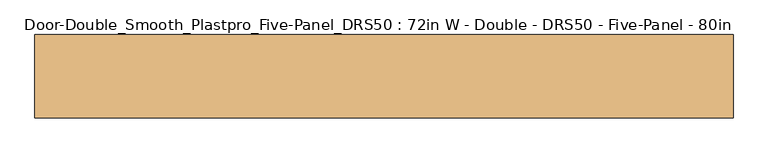
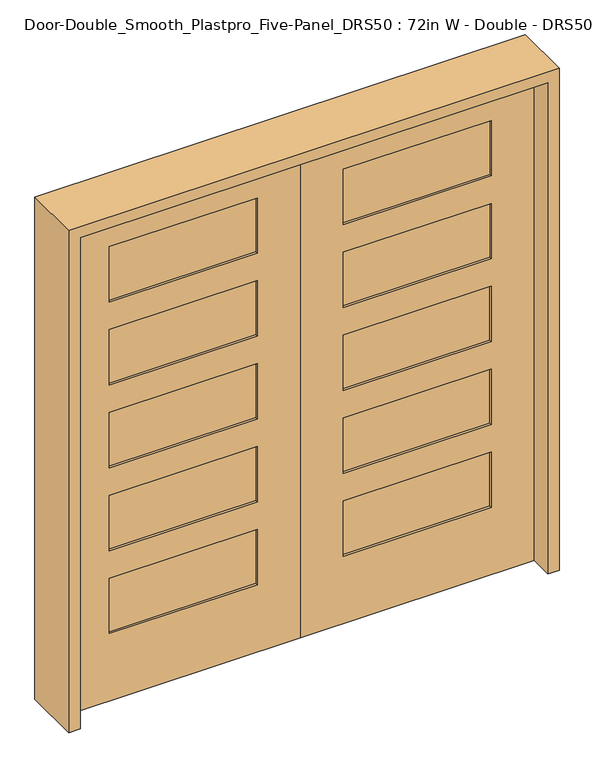
"""IFC4 building model written with IfcOpenShell, lengths in millimetres: door geometry, Door-Double_Smooth_Plastpro_Five-Panel_DRS50 : 72in W - Double - DRS50 - Five-Panel - 80in."""

from ifc_helpers import new_model, si_unit, frame, origin, place, context, project, spatial, polyline, outline, extrude, faceted_brep, source, transform, mapped, element, save


def door_double_smooth_plastpro_five_panel_drs50_72in_w_double_ac335164(model_context):
    return source(origin(), model_context, "Body", "SolidModel", [
        faceted_brep([(-914.4, 22.1615, 0.0), (0.0, 22.1615, 0.0), (0.0, -22.2885, 0.0), (-914.4, -22.2885, 0.0), (-914.4, 22.1615, 2032.0), (-914.4, -22.2885, 2032.0), (0.0, -22.2885, 2032.0), (-168.275, -22.2885, 965.2), (-746.125, -22.2885, 965.2), (-746.125, -22.2885, 1193.8), (-168.275, -22.2885, 1193.8), (-168.275, -22.2885, 622.3), (-746.125, -22.2885, 622.3), (-746.125, -22.2885, 850.9), (-168.275, -22.2885, 850.9), (-168.275, -22.2885, 279.4), (-746.125, -22.2885, 279.4), (-746.125, -22.2885, 508.0), (-168.275, -22.2885, 508.0), (-168.275, -22.2885, 1651.0), (-746.125, -22.2885, 1651.0), (-746.125, -22.2885, 1879.6), (-168.275, -22.2885, 1879.6), (-168.275, -22.2885, 1308.1), (-746.125, -22.2885, 1308.1), (-746.125, -22.2885, 1536.7), (-168.275, -22.2885, 1536.7), (0.0, 22.1615, 2032.0), (-168.275, 22.1615, 1193.8), (-746.125, 22.1615, 1193.8), (-746.125, 22.1615, 965.2), (-168.275, 22.1615, 965.2), (-168.275, 22.1615, 850.9), (-746.125, 22.1615, 850.9), (-746.125, 22.1615, 622.3), (-168.275, 22.1615, 622.3), (-168.275, 22.1615, 508.0), (-746.125, 22.1615, 508.0), (-746.125, 22.1615, 279.4), (-168.275, 22.1615, 279.4), (-168.275, 22.1615, 1879.6), (-746.125, 22.1615, 1879.6), (-746.125, 22.1615, 1651.0), (-168.275, 22.1615, 1651.0), (-168.275, 22.1615, 1536.7), (-746.125, 22.1615, 1536.7), (-746.125, 22.1615, 1308.1), (-168.275, 22.1615, 1308.1), (-168.275, 13.1812439, 1193.8), (-168.275, 13.1812439, 965.2), (-746.125, 13.1812439, 965.2), (-746.125, 13.1812439, 1193.8), (-168.275, 13.1812439, 850.9), (-168.275, 13.1812439, 622.3), (-746.125, 13.1812439, 622.3), (-746.125, 13.1812439, 850.9), (-168.275, 13.1812439, 508.0), (-168.275, 13.1812439, 279.4), (-746.125, 13.1812439, 279.4), (-746.125, 13.1812439, 508.0), (-168.275, -13.3082439, 965.2), (-168.275, -13.3082439, 1193.8), (-746.125, -13.3082439, 1193.8), (-746.125, -13.3082439, 965.2), (-168.275, -13.3082439, 622.3), (-168.275, -13.3082439, 850.9), (-746.125, -13.3082439, 850.9), (-746.125, -13.3082439, 622.3), (-168.275, -13.3082439, 279.4), (-168.275, -13.3082439, 508.0), (-746.125, -13.3082439, 508.0), (-746.125, -13.3082439, 279.4), (-168.275, -13.3082439, 1651.0), (-168.275, -13.3082439, 1879.6), (-746.125, -13.3082439, 1879.6), (-746.125, -13.3082439, 1651.0), (-168.275, -13.3082439, 1308.1), (-168.275, -13.3082439, 1536.7), (-746.125, -13.3082439, 1536.7), (-746.125, -13.3082439, 1308.1), (-168.275, 13.1812439, 1651.0), (-746.125, 13.1812439, 1651.0), (-746.125, 13.1812439, 1879.6), (-168.275, 13.1812439, 1879.6), (-168.275, 13.1812439, 1308.1), (-746.125, 13.1812439, 1308.1), (-746.125, 13.1812439, 1536.7), (-168.275, 13.1812439, 1536.7)], [[[0, 1, 2, 3]], [[4, 0, 3, 5]], [[5, 3, 2, 6], [7, 8, 9, 10], [11, 12, 13, 14], [15, 16, 17, 18], [19, 20, 21, 22], [23, 24, 25, 26]], [[6, 2, 1, 27]], [[27, 1, 0, 4], [28, 29, 30, 31], [32, 33, 34, 35], [36, 37, 38, 39], [40, 41, 42, 43], [44, 45, 46, 47]], [[48, 28, 31, 49]], [[49, 31, 30, 50]], [[50, 30, 29, 51]], [[51, 29, 28, 48]], [[52, 32, 35, 53]], [[53, 35, 34, 54]], [[54, 34, 33, 55]], [[55, 33, 32, 52]], [[56, 36, 39, 57]], [[57, 39, 38, 58]], [[58, 38, 37, 59]], [[59, 37, 36, 56]], [[60, 7, 10, 61]], [[61, 10, 9, 62]], [[62, 9, 8, 63]], [[63, 8, 7, 60]], [[64, 11, 14, 65]], [[65, 14, 13, 66]], [[66, 13, 12, 67]], [[67, 12, 11, 64]], [[68, 15, 18, 69]], [[69, 18, 17, 70]], [[70, 17, 16, 71]], [[71, 16, 15, 68]], [[60, 61, 62, 63]], [[64, 65, 66, 67]], [[68, 69, 70, 71]], [[72, 73, 74, 75]], [[76, 77, 78, 79]], [[49, 50, 51, 48]], [[53, 54, 55, 52]], [[57, 58, 59, 56]], [[80, 81, 82, 83]], [[84, 85, 86, 87]], [[4, 5, 6, 27]], [[72, 19, 22, 73]], [[73, 22, 21, 74]], [[74, 21, 20, 75]], [[75, 20, 19, 72]], [[76, 23, 26, 77]], [[77, 26, 25, 78]], [[78, 25, 24, 79]], [[79, 24, 23, 76]], [[83, 40, 43, 80]], [[82, 41, 40, 83]], [[81, 42, 41, 82]], [[80, 43, 42, 81]], [[87, 44, 47, 84]], [[86, 45, 44, 87]], [[85, 46, 45, 86]], [[84, 47, 46, 85]]]),
        faceted_brep([(914.4, 22.225, 0.0), (914.4, -22.225, 0.0), (0.0, -22.225, 0.0), (0.0, 22.225, 0.0), (914.4, 22.225, 2032.0), (914.4, -22.225, 2032.0), (0.0, -22.225, 2032.0), (168.275, -22.225, 965.2), (168.275, -22.225, 1193.8), (746.125, -22.225, 1193.8), (746.125, -22.225, 965.2), (168.275, -22.225, 622.3), (168.275, -22.225, 850.9), (746.125, -22.225, 850.9), (746.125, -22.225, 622.3), (168.275, -22.225, 279.4), (168.275, -22.225, 508.0), (746.125, -22.225, 508.0), (746.125, -22.225, 279.4), (168.275, -22.225, 1651.0), (168.275, -22.225, 1879.6), (746.125, -22.225, 1879.6), (746.125, -22.225, 1651.0), (168.275, -22.225, 1308.1), (168.275, -22.225, 1536.7), (746.125, -22.225, 1536.7), (746.125, -22.225, 1308.1), (0.0, 22.225, 2032.0), (168.275, 22.225, 1193.8), (168.275, 22.225, 965.2), (746.125, 22.225, 965.2), (746.125, 22.225, 1193.8), (168.275, 22.225, 850.9), (168.275, 22.225, 622.3), (746.125, 22.225, 622.3), (746.125, 22.225, 850.9), (168.275, 22.225, 508.0), (168.275, 22.225, 279.4), (746.125, 22.225, 279.4), (746.125, 22.225, 508.0), (168.275, 22.225, 1879.6), (168.275, 22.225, 1651.0), (746.125, 22.225, 1651.0), (746.125, 22.225, 1879.6), (168.275, 22.225, 1536.7), (168.275, 22.225, 1308.1), (746.125, 22.225, 1308.1), (746.125, 22.225, 1536.7), (168.275, 13.2447439, 1193.8), (168.275, 13.2447439, 965.2), (746.125, 13.2447439, 965.2), (746.125, 13.2447439, 1193.8), (168.275, 13.2447439, 850.9), (168.275, 13.2447439, 622.3), (746.125, 13.2447439, 622.3), (746.125, 13.2447439, 850.9), (168.275, 13.2447439, 508.0), (168.275, 13.2447439, 279.4), (746.125, 13.2447439, 279.4), (746.125, 13.2447439, 508.0), (168.275, -13.2447439, 965.2), (168.275, -13.2447439, 1193.8), (746.125, -13.2447439, 1193.8), (746.125, -13.2447439, 965.2), (168.275, -13.2447439, 622.3), (168.275, -13.2447439, 850.9), (746.125, -13.2447439, 850.9), (746.125, -13.2447439, 622.3), (168.275, -13.2447439, 279.4), (168.275, -13.2447439, 508.0), (746.125, -13.2447439, 508.0), (746.125, -13.2447439, 279.4), (168.275, -13.2447439, 1651.0), (746.125, -13.2447439, 1651.0), (746.125, -13.2447439, 1879.6), (168.275, -13.2447439, 1879.6), (168.275, -13.2447439, 1308.1), (746.125, -13.2447439, 1308.1), (746.125, -13.2447439, 1536.7), (168.275, -13.2447439, 1536.7), (168.275, 13.2447439, 1651.0), (168.275, 13.2447439, 1879.6), (746.125, 13.2447439, 1879.6), (746.125, 13.2447439, 1651.0), (168.275, 13.2447439, 1308.1), (168.275, 13.2447439, 1536.7), (746.125, 13.2447439, 1536.7), (746.125, 13.2447439, 1308.1)], [[[0, 1, 2, 3]], [[4, 5, 1, 0]], [[5, 6, 2, 1], [7, 8, 9, 10], [11, 12, 13, 14], [15, 16, 17, 18], [19, 20, 21, 22], [23, 24, 25, 26]], [[6, 27, 3, 2]], [[27, 4, 0, 3], [28, 29, 30, 31], [32, 33, 34, 35], [36, 37, 38, 39], [40, 41, 42, 43], [44, 45, 46, 47]], [[48, 49, 29, 28]], [[49, 50, 30, 29]], [[50, 51, 31, 30]], [[51, 48, 28, 31]], [[52, 53, 33, 32]], [[53, 54, 34, 33]], [[54, 55, 35, 34]], [[55, 52, 32, 35]], [[56, 57, 37, 36]], [[57, 58, 38, 37]], [[58, 59, 39, 38]], [[59, 56, 36, 39]], [[60, 61, 8, 7]], [[61, 62, 9, 8]], [[62, 63, 10, 9]], [[63, 60, 7, 10]], [[64, 65, 12, 11]], [[65, 66, 13, 12]], [[66, 67, 14, 13]], [[67, 64, 11, 14]], [[68, 69, 16, 15]], [[69, 70, 17, 16]], [[70, 71, 18, 17]], [[71, 68, 15, 18]], [[60, 63, 62, 61]], [[64, 67, 66, 65]], [[68, 71, 70, 69]], [[72, 73, 74, 75]], [[76, 77, 78, 79]], [[49, 48, 51, 50]], [[53, 52, 55, 54]], [[57, 56, 59, 58]], [[80, 81, 82, 83]], [[84, 85, 86, 87]], [[4, 27, 6, 5]], [[72, 75, 20, 19]], [[75, 74, 21, 20]], [[74, 73, 22, 21]], [[73, 72, 19, 22]], [[76, 79, 24, 23]], [[79, 78, 25, 24]], [[78, 77, 26, 25]], [[77, 76, 23, 26]], [[81, 80, 41, 40]], [[82, 81, 40, 43]], [[83, 82, 43, 42]], [[80, 83, 42, 41]], [[85, 84, 45, 44]], [[86, 85, 44, 47]], [[87, 86, 47, 46]], [[84, 87, 46, 45]]]),
        extrude(outline(polyline([(2076.45, -958.85), (0.0, -958.85), (0.0, -914.4), (2032.0, -914.4), (2032.0, 914.4), (0.0, 914.4), (0.0, 958.85), (2076.45, 958.85), (2076.45, -958.85)])), frame((0.0, -114.3, 0.0), z_axis=(0.0, 1.0, 0.0), x_axis=(0.0, 0.0, 1.0)), (0.0, 0.0, 1.0), 228.6),
    ])


if __name__ == "__main__":
    model = new_model("IFC4")
    model_context = context("Model", 3, world=origin())
    ifc_project = project(units=[si_unit("LENGTHUNIT", "METRE", prefix="MILLI")], contexts=[model_context])
    site = spatial("IfcSite", under=ifc_project)
    building = spatial("IfcBuilding", under=site)
    placement = place(None, origin())
    door_double_smooth_plastpro_five_panel_drs50_72in_w_double_shape = door_double_smooth_plastpro_five_panel_drs50_72in_w_double_ac335164(model_context)
    element("IfcDoor", 1, ObjectType="Door-Double_Smooth_Plastpro_Five-Panel_DRS50 : 72in W - Double - DRS50 - Five-Panel - 80in", at=placement, inside=building, context=model_context, shape_type="MappedRepresentation", body=[
        mapped(door_double_smooth_plastpro_five_panel_drs50_72in_w_double_shape, transform((0.0, 0.0, 0.0), x_axis=(1.0, 0.0, 0.0), y_axis=(0.0, 1.0, 0.0), z_axis=(0.0, 0.0, 1.0))),
    ])
    save(model, "model.ifc")
